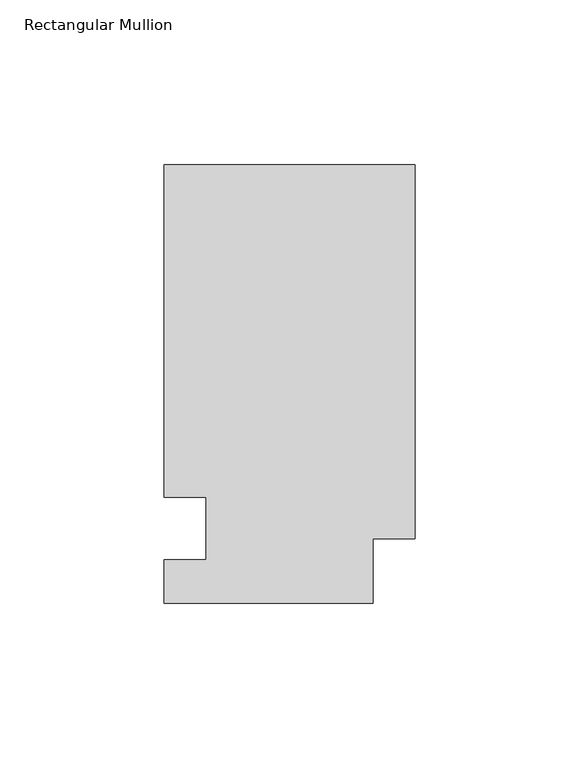
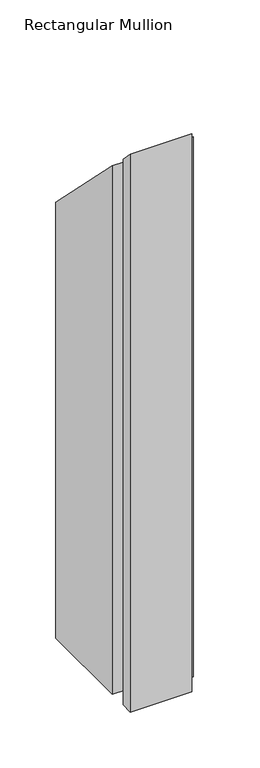
"""IFC4 building model written with IfcOpenShell, lengths in millimetres: member geometry, Rectangular Mullion."""

import ifcopenshell
import ifcopenshell.guid

model = None  # the IFC model being written
_history = None  # IfcOwnerHistory: only IFC2X3 demands one
_inside = {}  # id of a spatial element -> (the spatial element, [elements in it])
_under = {}  # id of a project, library or spatial element -> (it, [spatial elements below it])
_declared = {}  # id of a project -> (the project, [libraries it declares])
_typed = {}  # id of a type object -> (the type object, [elements of that type])
_made_of = {}  # id of a material, layer set ... -> (it, [elements and type objects made of it])


def new_model(schema):
    """Start an empty IFC model of exactly this schema.

    Asked for "IFC4X3", IfcOpenShell would pick the latest addendum, in which some entities
    have other attributes; the version numbers below select the first issue.
    IFC2X3 requires an IfcOwnerHistory on every rooted entity: one is made here for all.
    """
    global model, _history
    if schema == "IFC4X3":
        model = ifcopenshell.file(schema_version=(4, 3, 0, 0))
    else:
        model = ifcopenshell.file(schema=schema)
    _inside.clear()
    _under.clear()
    _declared.clear()
    _typed.clear()
    _made_of.clear()
    _history = None
    if model.schema == "IFC2X3":
        org = make("IfcOrganization", Name="unknown")
        user = make(
            "IfcPersonAndOrganization",
            ThePerson=make("IfcPerson", FamilyName="unknown"),
            TheOrganization=org,
        )
        app = make(
            "IfcApplication",
            ApplicationDeveloper=org,
            Version="unknown",
            ApplicationFullName="unknown",
            ApplicationIdentifier="unknown",
        )
        _history = make(
            "IfcOwnerHistory",
            OwningUser=user,
            OwningApplication=app,
            ChangeAction="ADDED",
            CreationDate=0,
        )
    return model


def make(cls, **values):
    """One entity of the class cls with the attributes given. An attribute that is None is left unset."""
    return model.create_entity(
        cls, **{name: value for name, value in values.items() if value is not None}
    )


def rooted(cls, **values):
    """An entity with a GlobalId (a new one), such as an element, a storey or a relation."""
    return make(cls, GlobalId=ifcopenshell.guid.new(), OwnerHistory=_history, **values)


def si_unit(unit_type, name, prefix=None):
    """IfcSIUnit, for example si_unit("LENGTHUNIT", "METRE", prefix="MILLI")."""
    return make("IfcSIUnit", UnitType=unit_type, Prefix=prefix, Name=name)


def assignment(units):
    """IfcUnitAssignment: the units of a project."""
    return None if units is None else make("IfcUnitAssignment", Units=units)


def point(xyz):
    """IfcCartesianPoint."""
    return None if xyz is None else make("IfcCartesianPoint", Coordinates=xyz)


def direction(xyz):
    """IfcDirection."""
    return None if xyz is None else make("IfcDirection", DirectionRatios=xyz)


def frame(location, z_axis=None, x_axis=None):
    """IfcAxis2Placement3D, a coordinate frame: its origin and axes. An axis left out is left unset."""
    return make(
        "IfcAxis2Placement3D",
        Location=point(location),
        Axis=direction(z_axis),
        RefDirection=direction(x_axis),
    )


def origin():
    """The frame at (0, 0, 0) with its axes left unset."""
    return frame((0.0, 0.0, 0.0))


def place(relative_to, where):
    """IfcLocalPlacement: puts the frame where relative to a parent placement (None: the world)."""
    return make(
        "IfcLocalPlacement", PlacementRelTo=relative_to, RelativePlacement=where
    )


def context(
    kind, dimensions, precision=None, world=None, true_north=None, identifier=None
):
    """IfcGeometricRepresentationContext, for example the 3D "Model" context."""
    return make(
        "IfcGeometricRepresentationContext",
        ContextIdentifier=identifier,
        ContextType=kind,
        CoordinateSpaceDimension=dimensions,
        Precision=precision,
        WorldCoordinateSystem=world,
        TrueNorth=true_north,
    )


def project(units=None, contexts=None):
    """IfcProject with its units and contexts."""
    return rooted(
        "IfcProject",
        Name="project",
        RepresentationContexts=contexts,
        UnitsInContext=assignment(units),
    )


def spatial(cls, under=None, at=None, **own):
    """A site, building, storey or space (cls), placed at a placement, below another one or the project."""
    s = rooted(cls, ObjectPlacement=at, **own)
    if under is not None:
        _under.setdefault(under.id(), (under, []))[1].append(s)
    return s


def faces_of(points, faces, orient=None, outer=None):
    """IfcFace entities. A face is a list of loops; a loop is a list of indices into points, from 0.

    orient and outer hold one flag for each loop. By default every Orientation is true, the
    first loop of a face is its IfcFaceOuterBound and the others are IfcFaceBound.
    """
    made = []
    for i, loops in enumerate(faces):
        bounds = []
        for j, loop in enumerate(loops):
            is_outer = j == 0 if outer is None else outer[i][j]
            bounds.append(
                make(
                    "IfcFaceOuterBound" if is_outer else "IfcFaceBound",
                    Bound=make("IfcPolyLoop", Polygon=[points[k] for k in loop]),
                    Orientation=True if orient is None else orient[i][j],
                )
            )
        made.append(make("IfcFace", Bounds=bounds))
    return made


def faceted_brep(points, faces, orient=None, outer=None, voids=None):
    """IfcFacetedBrep: a solid bounded by flat faces; with voids (closed shells), ...WithVoids."""
    shared = [point(p) for p in points]
    hull = make("IfcClosedShell", CfsFaces=faces_of(shared, faces, orient, outer))
    if voids is None:
        return make("IfcFacetedBrep", Outer=hull)
    return make(
        "IfcFacetedBrepWithVoids",
        Outer=hull,
        Voids=[
            make(cls, CfsFaces=faces_of(shared, fs, o, b)) for cls, fs, o, b in voids
        ],
    )


def shape(context_of_items, identifier, shape_type, items):
    """IfcShapeRepresentation: the items that make up one representation, for example the "Body"."""
    return make(
        "IfcShapeRepresentation",
        ContextOfItems=context_of_items,
        RepresentationIdentifier=identifier,
        RepresentationType=shape_type,
        Items=items,
    )


def source(mapping_origin, context_of_items, identifier, shape_type, items):
    """IfcRepresentationMap: a shape defined once, which mapped items show again and again."""
    return make(
        "IfcRepresentationMap",
        MappingOrigin=mapping_origin,
        MappedRepresentation=shape(context_of_items, identifier, shape_type, items),
    )


def transform(
    local_origin,
    x_axis=None,
    y_axis=None,
    z_axis=None,
    scale=None,
    scale2=None,
    scale3=None,
    uniform=True,
):
    """IfcCartesianTransformationOperator3D, or its non-uniform kind. x_axis, y_axis, z_axis: its Axis1, 2, 3."""
    if uniform:
        return make(
            "IfcCartesianTransformationOperator3D",
            Axis1=direction(x_axis),
            Axis2=direction(y_axis),
            LocalOrigin=point(local_origin),
            Scale=scale,
            Axis3=direction(z_axis),
        )
    return make(
        "IfcCartesianTransformationOperator3DnonUniform",
        Axis1=direction(x_axis),
        Axis2=direction(y_axis),
        LocalOrigin=point(local_origin),
        Scale=scale,
        Axis3=direction(z_axis),
        Scale2=scale2,
        Scale3=scale3,
    )


def mapped(mapping_source, mapping_target):
    """IfcMappedItem: shows the shape of a source again, moved by a transform."""
    return make(
        "IfcMappedItem", MappingSource=mapping_source, MappingTarget=mapping_target
    )


def made_of(thing, what):
    """Note that an element or type object is made of a material, layer set ...; save() writes the relation."""
    if what is not None:
        _made_of.setdefault(what.id(), (what, []))[1].append(thing)
    return thing


def element(
    cls,
    number,
    at=None,
    inside=None,
    cuts=None,
    type_object=None,
    material=None,
    context=None,
    identifier="Body",
    shape_type=None,
    held_by="IfcProductDefinitionShape",
    body=None,
    shapes=None,
    **own,
):
    """One element of the class cls, such as IfcWall. Its Tag is "e" and its number.

    at: its placement. inside: the storey or other place that contains it. cuts: it is an
    opening in that element (IfcRelVoidsElement). A single representation is given by context,
    identifier, shape_type and body (its items); several are given by shapes. held_by: the class
    of the entity that holds the representations. save() writes the other relations.
    """
    e = rooted(cls, Tag="e%d" % number, ObjectPlacement=at, **own)
    if body is not None:
        shapes = [shape(context, identifier, shape_type, body)]
    if shapes is not None:
        e.Representation = make(held_by, Representations=shapes)
    if inside is not None:
        _inside.setdefault(inside.id(), (inside, []))[1].append(e)
    if cuts is not None:
        rooted(
            "IfcRelVoidsElement", RelatingBuildingElement=cuts, RelatedOpeningElement=e
        )
    if type_object is not None:
        _typed.setdefault(type_object.id(), (type_object, []))[1].append(e)
    return made_of(e, material)


def aggregate(whole, parts):
    """IfcRelAggregates: a whole, such as a stair, and the parts it consists of."""
    return rooted("IfcRelAggregates", RelatingObject=whole, RelatedObjects=parts)


def save(model, path):
    """Write the relations noted so far, then the file.

    IfcRelAggregates (storeys below a building ...), IfcRelContainedInSpatialStructure (elements
    in a storey), IfcRelDefinesByType, IfcRelAssociatesMaterial and IfcRelDeclares: one each for
    every whole, place, type object, material and project.
    """
    for whole, parts in _under.values():
        aggregate(whole, parts)
    for where, things in _inside.values():
        rooted(
            "IfcRelContainedInSpatialStructure",
            RelatedElements=things,
            RelatingStructure=where,
        )
    for kind, things in _typed.values():
        rooted("IfcRelDefinesByType", RelatedObjects=things, RelatingType=kind)
    for what, things in _made_of.values():
        rooted("IfcRelAssociatesMaterial", RelatedObjects=things, RelatingMaterial=what)
    for by, libraries in _declared.values():
        rooted("IfcRelDeclares", RelatingContext=by, RelatedDefinitions=libraries)
    model.write(path)


def rectangular_mullion_d8017d93(model_context):
    return source(origin(), model_context, "Body", "Brep", [
        faceted_brep([(0.0, 133.4396938, -609.6), (0.0, 19.5460937, -609.6), (-12.7, 19.5460937, -609.6), (-12.7, 0.0134937, -609.6), (-76.2, 0.0134937, -609.6), (-76.2, 13.1960937, -609.6), (-63.5, 13.1960937, -609.6), (-63.5, 32.2460938, -609.6), (-76.2, 32.2460937, -609.6), (-76.2, 133.4396938, -609.6), (-76.2, 133.4396938, -133.4396938), (0.0, 133.4396938, -133.4396938), (-76.2, 32.2460937, -32.2460937), (-63.5, 32.2460937, -32.2460937), (-63.5, 13.1960937, -13.1960937), (-76.2, 13.1960937, -13.1960937), (-76.2, 0.0134937, -0.0134937), (-12.7, 0.0134937, -0.0134937), (-12.7, 19.5460937, -19.5460937), (0.0, 19.5460937, -19.5460937)], [[[0, 1, 2, 3, 4, 5, 6, 7, 8, 9]], [[10, 11, 0, 9]], [[12, 10, 9, 8]], [[13, 12, 8, 7]], [[14, 13, 7, 6]], [[15, 14, 6, 5]], [[16, 15, 5, 4]], [[17, 16, 4, 3]], [[18, 17, 3, 2]], [[19, 18, 2, 1]], [[11, 19, 1, 0]], [[11, 10, 12, 13, 14, 15, 16, 17, 18, 19]]]),
    ])


if __name__ == "__main__":
    model = new_model("IFC4")
    model_context = context("Model", 3, world=origin())
    ifc_project = project(units=[si_unit("LENGTHUNIT", "METRE", prefix="MILLI")], contexts=[model_context])
    site = spatial("IfcSite", under=ifc_project)
    building = spatial("IfcBuilding", under=site)
    placement = place(None, origin())
    rectangular_mullion_shape = rectangular_mullion_d8017d93(model_context)
    element("IfcMember", 1, ObjectType="Rectangular Mullion", at=placement, inside=building, context=model_context, shape_type="MappedRepresentation", body=[
        mapped(rectangular_mullion_shape, transform((0.0, 0.0, 0.0), x_axis=(1.0, 0.0, 0.0), y_axis=(0.0, 1.0, 0.0), z_axis=(0.0, 0.0, 1.0))),
    ])
    save(model, "model.ifc")
